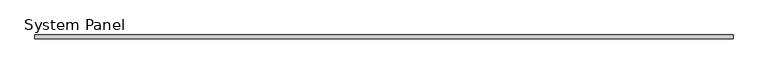
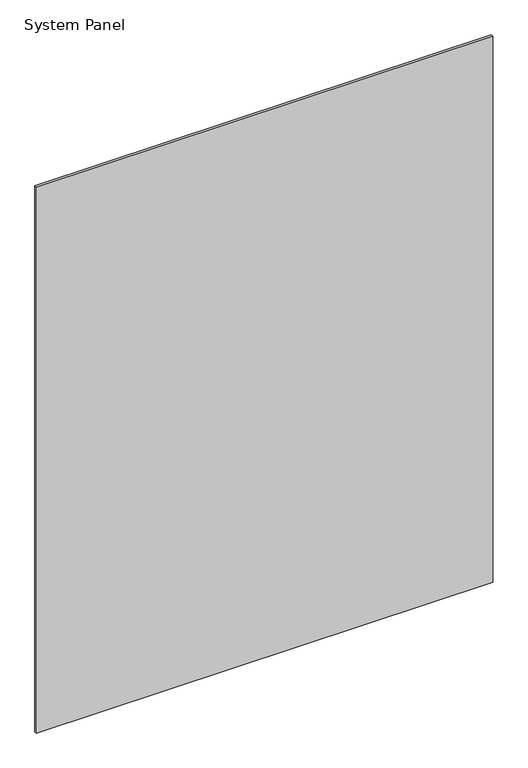
"""IFC4 building model written with IfcOpenShell, lengths in millimetres: plate geometry, System Panel."""

from ifc_helpers import new_model, si_unit, origin, origin_with_axes, place, context, project, spatial, polyline, outline, extrude, source, transform, mapped, element, save


def system_panel_46b181a0(model_context):
    return source(origin(), model_context, "Body", "SweptSolid", [
        extrude(outline(polyline([(576.2814077, 18.0), (-576.2814077, 18.0), (-576.2814077, 24.6), (576.2814077, 24.6), (576.2814077, 18.0)])), origin_with_axes(), (0.0, 0.0, 1.0), 1457.3502103),
    ])


if __name__ == "__main__":
    model = new_model("IFC4")
    model_context = context("Model", 3, world=origin())
    ifc_project = project(units=[si_unit("LENGTHUNIT", "METRE", prefix="MILLI")], contexts=[model_context])
    site = spatial("IfcSite", under=ifc_project)
    building = spatial("IfcBuilding", under=site)
    placement = place(None, origin())
    system_panel_shape = system_panel_46b181a0(model_context)
    element("IfcPlate", 1, ObjectType="System Panel", at=placement, inside=building, context=model_context, shape_type="MappedRepresentation", body=[
        mapped(system_panel_shape, transform((0.0, 0.0, 0.0), x_axis=(1.0, 0.0, 0.0), y_axis=(0.0, 1.0, 0.0), z_axis=(0.0, 0.0, 1.0))),
    ])
    save(model, "model.ifc")
